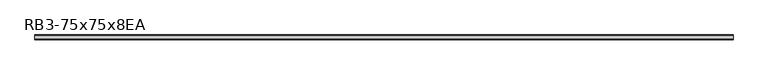
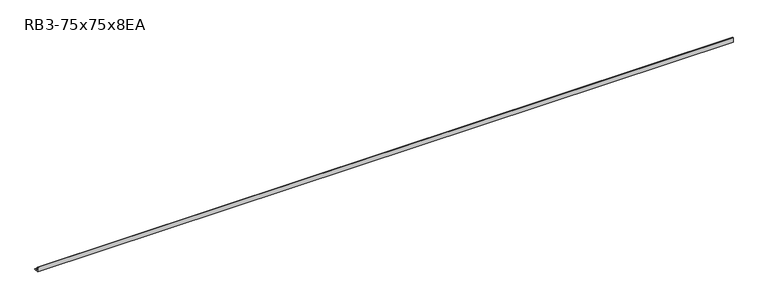
"""IFC4 building model written with IfcOpenShell, lengths in millimetres: member geometry, RB3-75x75x8EA."""

from ifc_helpers import new_model, si_unit, point, frame, frame_2d, origin, place, context, project, spatial, polyline, circle_curve, trimmed, segment, composite_curve, outline, extrude, source, transform, mapped, element, save


def rb3_75x75x8ea_5e948c63(model_context):
    return source(origin(), model_context, "Body", "SweptSolid", [
        extrude(outline(composite_curve([segment(polyline([(-21.3, -21.3), (-21.3, 53.7), (-18.3, 53.7)]), True, "CONTINUOUS"), segment(trimmed(circle_curve(frame_2d((-18.3, 48.7)), 5.0), [point((-18.3, 53.7))], [point((-13.3, 48.7))], False, "CARTESIAN"), True, "CONTINUOUS"), segment(polyline([(-13.3, 48.7), (-13.3, -5.3)]), True, "CONTINUOUS"), segment(trimmed(circle_curve(frame_2d((-5.3, -5.3)), 8.0), [point((-13.3, -5.3))], [point((-5.3, -13.3))], True, "CARTESIAN"), True, "CONTINUOUS"), segment(polyline([(-5.3, -13.3), (48.7, -13.3)]), True, "CONTINUOUS"), segment(trimmed(circle_curve(frame_2d((48.7, -18.3)), 5.0), [point((48.7, -13.3))], [point((53.7, -18.3))], False, "CARTESIAN"), True, "CONTINUOUS"), segment(polyline([(53.7, -18.3), (53.7, -21.3), (-21.3, -21.3)]), True, "CONTINUOUS")], self_intersect=False)), frame((-5418.5, 0.0, 0.0), z_axis=(1.0, 0.0, 0.0), x_axis=(0.0, 1.0, 0.0)), (0.0, 0.0, 1.0), 10876.0),
    ])


if __name__ == "__main__":
    model = new_model("IFC4")
    model_context = context("Model", 3, world=origin())
    ifc_project = project(units=[si_unit("LENGTHUNIT", "METRE", prefix="MILLI")], contexts=[model_context])
    site = spatial("IfcSite", under=ifc_project)
    building = spatial("IfcBuilding", under=site)
    placement = place(None, origin())
    rb3_75x75x8ea_shape = rb3_75x75x8ea_5e948c63(model_context)
    element("IfcMember", 1, ObjectType="RB3-75x75x8EA", at=placement, inside=building, context=model_context, shape_type="MappedRepresentation", body=[
        mapped(rb3_75x75x8ea_shape, transform((0.0, 0.0, 0.0), x_axis=(1.0, 0.0, 0.0), y_axis=(0.0, 1.0, 0.0), z_axis=(0.0, 0.0, 1.0))),
    ])
    save(model, "model.ifc")
